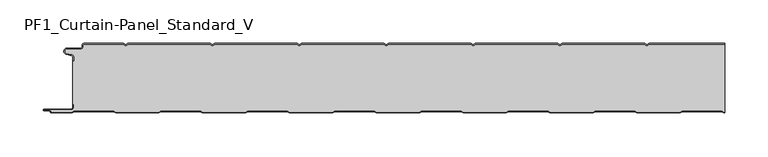
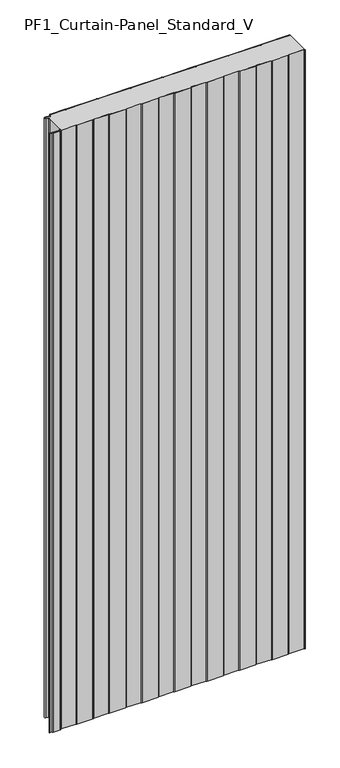
"""IFC4 building model written with IfcOpenShell, lengths in millimetres: plate geometry, PF1_Curtain-Panel_Standard_V."""

from ifc_helpers import new_model, si_unit, point, frame_2d, origin, origin_with_axes, place, context, project, spatial, polyline, circle_curve, trimmed, segment, composite_curve, outline, extrude, source, transform, mapped, element, save


def pf1_curtain_panel_standard_v_3efbbf9f(model_context):
    return source(origin(), model_context, "Body", "SweptSolid", [
        extrude(outline(composite_curve([segment(trimmed(circle_curve(frame_2d((-377.0119739, -15.878557)), 2.0), [point((-375.0119739, -15.878557))], [point((-376.5620718, -13.9298169))], True, "CARTESIAN"), True, "CONTINUOUS"), segment(polyline([(-376.5620718, -13.9298169), (-382.7217978, -12.507732)]), True, "CONTINUOUS"), segment(trimmed(circle_curve(frame_2d((-381.9119739, -9.0)), 3.6), [point((-382.7217978, -12.507732))], [point((-381.9119739, -5.4))], False, "CARTESIAN"), True, "CONTINUOUS"), segment(polyline([(-381.9119739, -5.4), (-366.4119739, -5.4)]), True, "CONTINUOUS"), segment(trimmed(circle_curve(frame_2d((-366.4119739, -3.4)), 2.0), [point((-366.4119739, -5.4))], [point((-364.4119739, -3.4))], True, "CARTESIAN"), True, "CONTINUOUS"), segment(polyline([(-364.4119739, -3.4), (-364.4119739, -2.0)]), True, "CONTINUOUS"), segment(trimmed(circle_curve(frame_2d((-362.4119739, -2.0)), 2.0), [point((-364.4119739, -2.0))], [point((-362.4119739, 0.0))], False, "CARTESIAN"), True, "CONTINUOUS"), segment(polyline([(-362.4119739, 0.0), (-317.1119734, 0.0), (-314.4119739, -1.5588455), (-311.7119745, 0.0), (-217.1119734, 0.0), (-214.4119739, -1.5588455), (-211.7119745, 0.0), (-117.1119734, 0.0), (-114.4119739, -1.5588455), (-111.7119745, 0.0), (-17.1119734, 0.0), (-14.4119739, -1.5588455), (-11.7119745, 0.0), (82.8880266, 0.0), (85.5880261, -1.5588455), (88.2880255, 0.0), (182.8880266, 0.0), (185.5880261, -1.5588455), (188.2880255, 0.0), (282.8880266, 0.0), (285.5880261, -1.5588455), (288.2880255, 0.0), (375.0119739, 0.0), (375.0119739, -0.8), (288.5023849, -0.8), (285.5880261, -2.482606), (282.6736672, -0.8), (188.5023849, -0.8), (185.5880261, -2.482606), (182.6736672, -0.8), (88.5023849, -0.8), (85.5880261, -2.482606), (82.6736672, -0.8), (-11.4976151, -0.8), (-14.4119739, -2.482606), (-17.3263328, -0.8), (-111.4976151, -0.8), (-114.4119739, -2.482606), (-117.3263328, -0.8), (-211.4976151, -0.8), (-214.4119739, -2.482606), (-217.3263328, -0.8), (-311.4976151, -0.8), (-314.4119739, -2.482606), (-317.3263328, -0.8), (-362.4119739, -0.8)]), True, "CONTINUOUS"), segment(trimmed(circle_curve(frame_2d((-362.4119739, -2.0)), 1.2), [point((-362.4119739, -0.8))], [point((-363.6119739, -2.0))], True, "CARTESIAN"), True, "CONTINUOUS"), segment(polyline([(-363.6119739, -2.0), (-363.6119739, -3.4)]), True, "CONTINUOUS"), segment(trimmed(circle_curve(frame_2d((-366.4119739, -3.4)), 2.8), [point((-363.6119739, -3.4))], [point((-366.4119739, -6.2))], False, "CARTESIAN"), True, "CONTINUOUS"), segment(polyline([(-366.4119739, -6.2), (-381.9119739, -6.2)]), True, "CONTINUOUS"), segment(trimmed(circle_curve(frame_2d((-381.9119739, -9.0)), 2.8), [point((-381.9119739, -6.2))], [point((-382.541837, -11.7282362))], True, "CARTESIAN"), True, "CONTINUOUS"), segment(polyline([(-382.541837, -11.7282362), (-376.3821109, -13.150321)]), True, "CONTINUOUS"), segment(trimmed(circle_curve(frame_2d((-377.0119739, -15.878557)), 2.8), [point((-376.3821109, -13.150321))], [point((-374.2119739, -15.878557))], False, "CARTESIAN"), True, "CONTINUOUS"), segment(polyline([(-374.2119739, -15.878557), (-374.2119739, -20.0), (-375.0119739, -20.0), (-375.0119739, -15.878557)]), True, "CONTINUOUS")], self_intersect=False)), origin_with_axes(), (0.0, 0.0, 1.0), 1945.7507136),
        extrude(outline(composite_curve([segment(polyline([(-374.2119739, -70.0), (-375.0119739, -70.0), (-375.0119739, -20.0), (-374.2119739, -20.0), (-374.2119739, -15.878557)]), True, "CONTINUOUS"), segment(trimmed(circle_curve(frame_2d((-377.0119739, -15.878557)), 2.8), [point((-374.2119739, -15.878557))], [point((-376.3821109, -13.1503208))], True, "CARTESIAN"), True, "CONTINUOUS"), segment(polyline([(-376.3821109, -13.1503208), (-382.5418369, -11.7282362)]), True, "CONTINUOUS"), segment(trimmed(circle_curve(frame_2d((-381.9119739, -9.0)), 2.8), [point((-382.5418369, -11.7282362))], [point((-381.9119739, -6.2))], False, "CARTESIAN"), True, "CONTINUOUS"), segment(polyline([(-381.9119739, -6.2), (-366.4119739, -6.2)]), True, "CONTINUOUS"), segment(trimmed(circle_curve(frame_2d((-366.4119739, -3.4)), 2.8), [point((-366.4119739, -6.2))], [point((-363.6119739, -3.4))], True, "CARTESIAN"), True, "CONTINUOUS"), segment(polyline([(-363.6119739, -3.4), (-363.6119739, -2.0)]), True, "CONTINUOUS"), segment(trimmed(circle_curve(frame_2d((-362.4119739, -2.0)), 1.2), [point((-363.6119739, -2.0))], [point((-362.4119739, -0.8))], False, "CARTESIAN"), True, "CONTINUOUS"), segment(polyline([(-362.4119739, -0.8), (-317.3263328, -0.8), (-314.4119739, -2.482606), (-311.4976151, -0.8), (-217.3263328, -0.8), (-214.4119739, -2.482606), (-211.4976151, -0.8), (-117.3263328, -0.8), (-114.4119739, -2.482606), (-111.4976151, -0.8), (-17.3263328, -0.8), (-14.4119739, -2.482606), (-11.4976151, -0.8), (82.6736672, -0.8), (85.5880261, -2.482606), (88.5023849, -0.8), (182.6736672, -0.8), (185.5880261, -2.482606), (188.5023849, -0.8), (282.6736672, -0.8), (285.5880261, -2.482606), (288.5023849, -0.8), (375.0119739, -0.8), (375.0119739, -79.2), (374.2032822, -79.2), (371.6052046, -77.7), (326.3764885, -77.7), (323.7784109, -79.2), (274.2032822, -79.2), (271.6052046, -77.7), (226.3764885, -77.7), (223.7784109, -79.2), (174.2032822, -79.2), (171.6052046, -77.7), (126.3764885, -77.7), (123.7784109, -79.2), (74.2032822, -79.2), (71.6052046, -77.7), (26.3764885, -77.7), (23.7784109, -79.2), (-25.7967178, -79.2), (-28.3947954, -77.7), (-73.6235115, -77.7), (-76.2215891, -79.2), (-125.7967178, -79.2), (-128.3947954, -77.7), (-173.6235115, -77.7), (-176.2215891, -79.2), (-225.7967178, -79.2), (-228.3947954, -77.7), (-273.6235115, -77.7), (-276.2215891, -79.2), (-325.7967178, -79.2), (-328.3947954, -77.7), (-373.6235115, -77.7), (-376.2215891, -79.2), (-399.4119739, -79.2)]), True, "CONTINUOUS"), segment(trimmed(circle_curve(frame_2d((-399.4119739, -78.4)), 0.8), [point((-399.4119739, -79.2))], [point((-400.2119739, -78.4))], False, "CARTESIAN"), True, "CONTINUOUS"), segment(trimmed(circle_curve(frame_2d((-401.9119739, -78.6133333)), 1.7133333), [point((-400.2119739, -78.4))], [point((-401.9119739, -76.9))], True, "CARTESIAN"), True, "CONTINUOUS"), segment(polyline([(-401.9119739, -76.9), (-407.8820051, -76.9)]), True, "CONTINUOUS"), segment(trimmed(circle_curve(frame_2d((-407.8820051, -76.6)), 0.3), [point((-407.8820051, -76.9))], [point((-407.8820051, -76.3))], False, "CARTESIAN"), True, "CONTINUOUS"), segment(polyline([(-407.8820051, -76.3), (-377.0119739, -76.3)]), True, "CONTINUOUS"), segment(trimmed(circle_curve(frame_2d((-377.0119739, -73.5)), 2.8), [point((-377.0119739, -76.3))], [point((-374.2119739, -73.5))], True, "CARTESIAN"), True, "CONTINUOUS"), segment(polyline([(-374.2119739, -73.5), (-374.2119739, -70.0)]), True, "CONTINUOUS")], self_intersect=False)), origin_with_axes(), (0.0, 0.0, 1.0), 1945.7507136),
        extrude(outline(composite_curve([segment(polyline([(-375.0119739, -70.0), (-374.2119739, -70.0), (-374.2119739, -73.5)]), True, "CONTINUOUS"), segment(trimmed(circle_curve(frame_2d((-377.0119739, -73.5)), 2.8), [point((-374.2119739, -73.5))], [point((-377.0119739, -76.3))], False, "CARTESIAN"), True, "CONTINUOUS"), segment(polyline([(-377.0119739, -76.3), (-407.8820051, -76.3)]), True, "CONTINUOUS"), segment(trimmed(circle_curve(frame_2d((-407.8820051, -76.6)), 0.3), [point((-407.8820051, -76.3))], [point((-407.8820051, -76.9))], True, "CARTESIAN"), True, "CONTINUOUS"), segment(polyline([(-407.8820051, -76.9), (-401.9119739, -76.9)]), True, "CONTINUOUS"), segment(trimmed(circle_curve(frame_2d((-401.9119739, -78.6133333)), 1.7133333), [point((-401.9119739, -76.9))], [point((-400.2119739, -78.4))], False, "CARTESIAN"), True, "CONTINUOUS"), segment(trimmed(circle_curve(frame_2d((-399.4119739, -78.4)), 0.8), [point((-400.2119739, -78.4))], [point((-399.4119739, -79.2))], True, "CARTESIAN"), True, "CONTINUOUS"), segment(polyline([(-399.4119739, -79.2), (-376.2215891, -79.2), (-373.6235115, -77.7), (-328.3947954, -77.7), (-325.7967178, -79.2), (-276.2215891, -79.2), (-273.6235115, -77.7), (-228.3947954, -77.7), (-225.7967178, -79.2), (-176.2215891, -79.2), (-173.6235115, -77.7), (-128.3947954, -77.7), (-125.7967178, -79.2), (-76.2215891, -79.2), (-73.6235115, -77.7), (-28.3947954, -77.7), (-25.7967178, -79.2), (23.7784109, -79.2), (26.3764885, -77.7), (71.6052046, -77.7), (74.2032822, -79.2), (123.7784109, -79.2), (126.3764885, -77.7), (171.6052046, -77.7), (174.2032822, -79.2), (223.7784109, -79.2), (226.3764885, -77.7), (271.6052046, -77.7), (274.2032822, -79.2), (323.7784109, -79.2), (326.3764885, -77.7), (371.6052046, -77.7), (374.2032822, -79.2), (375.0119739, -79.2), (375.0119739, -80.0), (373.988923, -80.0), (371.3908454, -78.5), (326.5908477, -78.5), (323.9927701, -80.0), (273.988923, -80.0), (271.3908454, -78.5), (226.5908477, -78.5), (223.9927701, -80.0), (173.988923, -80.0), (171.3908454, -78.5), (126.5908477, -78.5), (123.9927701, -80.0), (73.988923, -80.0), (71.3908454, -78.5), (26.5908477, -78.5), (23.9927701, -80.0), (-26.011077, -80.0), (-28.6091546, -78.5), (-73.4091523, -78.5), (-76.0072299, -80.0), (-126.011077, -80.0), (-128.6091546, -78.5), (-173.4091523, -78.5), (-176.0072299, -80.0), (-226.011077, -80.0), (-228.6091546, -78.5), (-273.4091523, -78.5), (-276.0072299, -80.0), (-326.011077, -80.0), (-328.6091546, -78.5), (-373.4091523, -78.5), (-376.0072299, -80.0), (-399.4119739, -80.0)]), True, "CONTINUOUS"), segment(trimmed(circle_curve(frame_2d((-399.4119739, -78.4)), 1.6), [point((-399.4119739, -80.0))], [point((-401.0119739, -78.4))], False, "CARTESIAN"), True, "CONTINUOUS"), segment(trimmed(circle_curve(frame_2d((-401.9119739, -78.4)), 0.9), [point((-401.0119739, -78.4))], [point((-401.9119739, -77.5))], True, "CARTESIAN"), True, "CONTINUOUS"), segment(polyline([(-401.9119739, -77.5), (-408.0119739, -77.5)]), True, "CONTINUOUS"), segment(trimmed(circle_curve(frame_2d((-408.0119739, -76.5)), 1.0), [point((-408.0119739, -77.5))], [point((-408.0119739, -75.5))], False, "CARTESIAN"), True, "CONTINUOUS"), segment(polyline([(-408.0119739, -75.5), (-377.0119739, -75.5)]), True, "CONTINUOUS"), segment(trimmed(circle_curve(frame_2d((-377.0119739, -73.5)), 2.0), [point((-377.0119739, -75.5))], [point((-375.0119739, -73.5))], True, "CARTESIAN"), True, "CONTINUOUS"), segment(polyline([(-375.0119739, -73.5), (-375.0119739, -70.0)]), True, "CONTINUOUS")], self_intersect=False)), origin_with_axes(), (0.0, 0.0, 1.0), 1945.7507136),
    ])


if __name__ == "__main__":
    model = new_model("IFC4")
    model_context = context("Model", 3, world=origin())
    ifc_project = project(units=[si_unit("LENGTHUNIT", "METRE", prefix="MILLI")], contexts=[model_context])
    site = spatial("IfcSite", under=ifc_project)
    building = spatial("IfcBuilding", under=site)
    placement = place(None, origin())
    pf1_curtain_panel_standard_v_shape = pf1_curtain_panel_standard_v_3efbbf9f(model_context)
    element("IfcPlate", 1, ObjectType="PF1_Curtain-Panel_Standard_V", at=placement, inside=building, context=model_context, shape_type="MappedRepresentation", body=[
        mapped(pf1_curtain_panel_standard_v_shape, transform((0.0, 0.0, 0.0), x_axis=(1.0, 0.0, 0.0), y_axis=(0.0, 1.0, 0.0), z_axis=(0.0, 0.0, 1.0))),
    ])
    save(model, "model.ifc")
